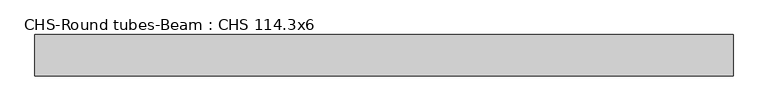
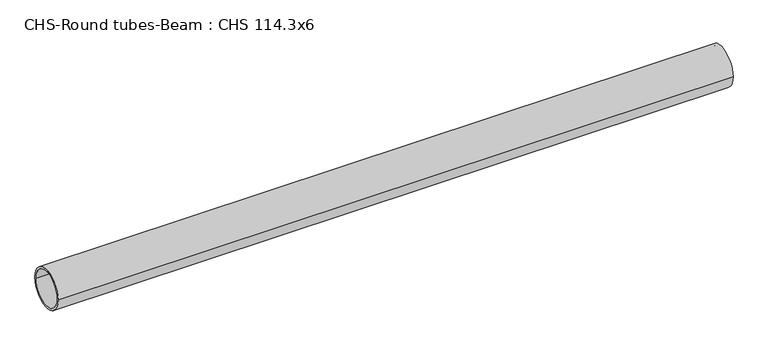
"""IFC4 building model written with IfcOpenShell, lengths in millimetres: beam geometry, CHS-Round tubes-Beam : CHS 114.3x6."""

from ifc_helpers import new_model, si_unit, point, frame, origin, origin_2d, place, context, project, spatial, circle_curve, trimmed, segment, composite_curve, outline, extrude, source, transform, mapped, element, save


def chs_round_tubes_beam_chs_114_3x6_425a1495(model_context):
    return source(origin(), model_context, "Body", "SweptSolid", [
        extrude(outline(composite_curve([segment(trimmed(circle_curve(origin_2d(), 57.15), [point((57.15, 0.0))], [point((-57.15, 0.0))], False, "CARTESIAN"), True, "CONTINUOUS"), segment(trimmed(circle_curve(origin_2d(), 57.15), [point((-57.15, 0.0))], [point((57.15, 0.0))], False, "CARTESIAN"), True, "CONTINUOUS")], self_intersect=False), holes=[composite_curve([segment(trimmed(circle_curve(origin_2d(), 51.15), [point((51.15, 0.0))], [point((-51.15, 0.0))], True, "CARTESIAN"), True, "CONTINUOUS"), segment(trimmed(circle_curve(origin_2d(), 51.15), [point((-51.15, 0.0))], [point((51.15, 0.0))], True, "CARTESIAN"), True, "CONTINUOUS")], self_intersect=False)]), frame((-874.5303096, 0.0, 0.0), z_axis=(1.0, 0.0, 0.0), x_axis=(0.0, 1.0, 0.0)), (0.0, 0.0, 1.0), 1922.3726476),
    ])


if __name__ == "__main__":
    model = new_model("IFC4")
    model_context = context("Model", 3, world=origin())
    ifc_project = project(units=[si_unit("LENGTHUNIT", "METRE", prefix="MILLI")], contexts=[model_context])
    site = spatial("IfcSite", under=ifc_project)
    building = spatial("IfcBuilding", under=site)
    placement = place(None, origin())
    chs_round_tubes_beam_chs_114_3x6_shape = chs_round_tubes_beam_chs_114_3x6_425a1495(model_context)
    element("IfcBeam", 1, ObjectType="CHS-Round tubes-Beam : CHS 114.3x6", at=placement, inside=building, context=model_context, shape_type="MappedRepresentation", body=[
        mapped(chs_round_tubes_beam_chs_114_3x6_shape, transform((0.0, 0.0, 0.0), x_axis=(1.0, 0.0, 0.0), y_axis=(0.0, 1.0, 0.0), z_axis=(0.0, 0.0, 1.0))),
    ])
    save(model, "model.ifc")
